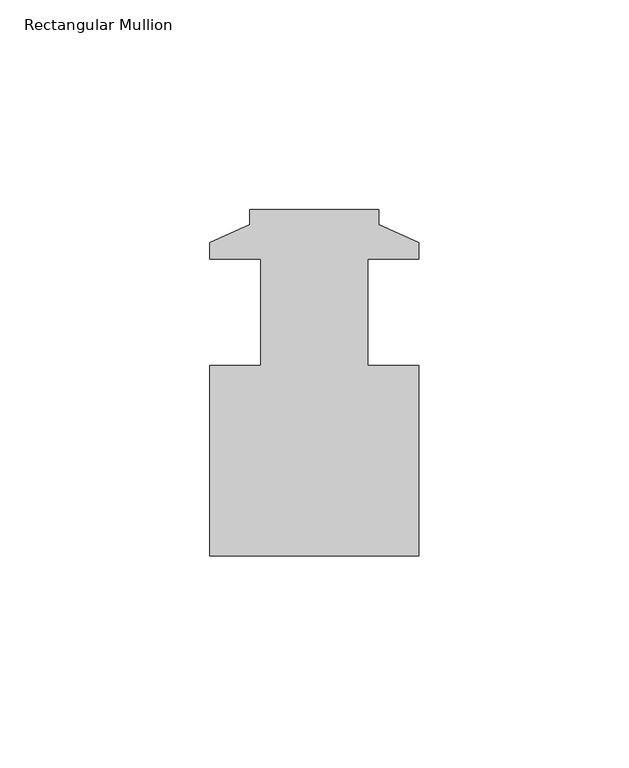
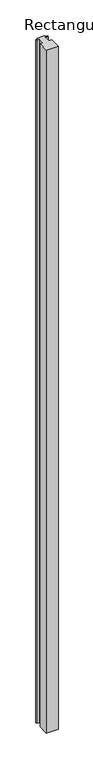
"""IFC4 building model written with IfcOpenShell, lengths in millimetres: member geometry, Rectangular Mullion."""

from ifc_helpers import new_model, si_unit, frame, origin, place, context, project, spatial, polyline, outline, extrude, source, transform, mapped, element, save


def rectangular_mullion_35a97cdb(model_context):
    return source(origin(), model_context, "Body", "SweptSolid", [
        extrude(outline(polyline([(-9.525, 39.0524731), (-9.525, 35.4456731), (0.0, 31.1276731), (0.0, 27.2160731), (-12.2174, 27.2160731), (-12.2174, 1.8160731), (0.0, 1.8160731), (0.0, -43.4975269), (-49.8348, -43.4975269), (-49.8348, 1.8160731), (-37.6174, 1.8160731), (-37.6174, 27.2160731), (-49.8348, 27.2160731), (-49.8348, 31.1276731), (-40.3098, 35.4456731), (-40.3098, 39.0524731), (-9.525, 39.0524731)])), frame((0.0, 0.0, -3048.0), z_axis=(0.0, 0.0, 1.0), x_axis=(1.0, 0.0, 0.0)), (0.0, 0.0, 1.0), 3048.0),
    ])


if __name__ == "__main__":
    model = new_model("IFC4")
    model_context = context("Model", 3, world=origin())
    ifc_project = project(units=[si_unit("LENGTHUNIT", "METRE", prefix="MILLI")], contexts=[model_context])
    site = spatial("IfcSite", under=ifc_project)
    building = spatial("IfcBuilding", under=site)
    placement = place(None, origin())
    rectangular_mullion_shape = rectangular_mullion_35a97cdb(model_context)
    element("IfcMember", 1, ObjectType="Rectangular Mullion", at=placement, inside=building, context=model_context, shape_type="MappedRepresentation", body=[
        mapped(rectangular_mullion_shape, transform((0.0, 0.0, 0.0), x_axis=(1.0, 0.0, 0.0), y_axis=(0.0, 1.0, 0.0), z_axis=(0.0, 0.0, 1.0))),
    ])
    save(model, "model.ifc")
